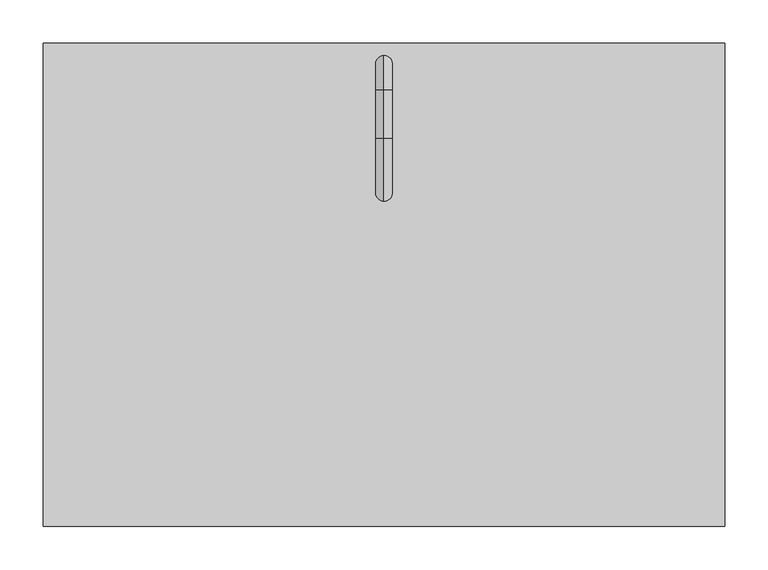
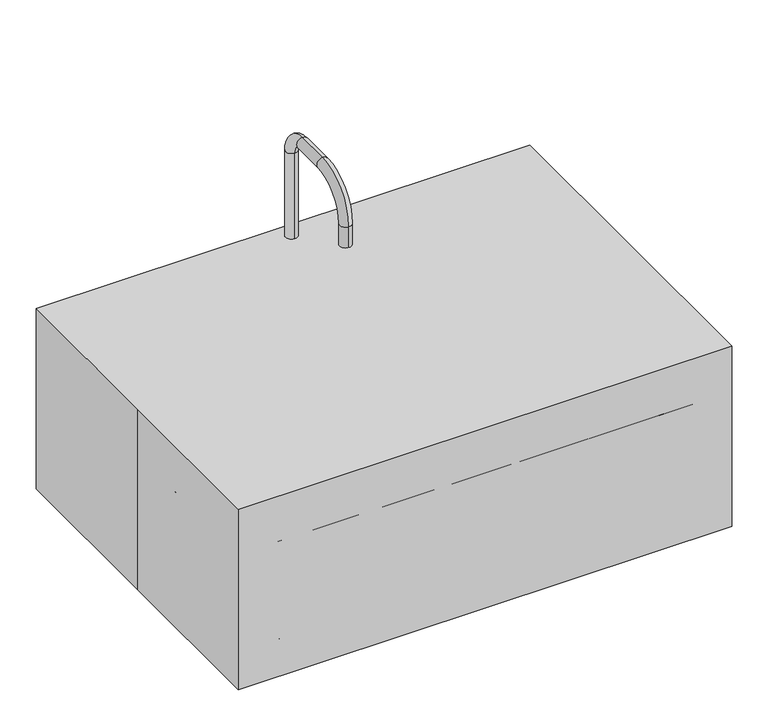
"""IFC4 building model written with IfcOpenShell, lengths in millimetres: proxy geometry."""

import ifcopenshell
import ifcopenshell.guid

model = None  # the IFC model being written
_history = None  # IfcOwnerHistory: only IFC2X3 demands one
_inside = {}  # id of a spatial element -> (the spatial element, [elements in it])
_under = {}  # id of a project, library or spatial element -> (it, [spatial elements below it])
_declared = {}  # id of a project -> (the project, [libraries it declares])
_typed = {}  # id of a type object -> (the type object, [elements of that type])
_made_of = {}  # id of a material, layer set ... -> (it, [elements and type objects made of it])


def new_model(schema):
    """Start an empty IFC model of exactly this schema.

    Asked for "IFC4X3", IfcOpenShell would pick the latest addendum, in which some entities
    have other attributes; the version numbers below select the first issue.
    IFC2X3 requires an IfcOwnerHistory on every rooted entity: one is made here for all.
    """
    global model, _history
    if schema == "IFC4X3":
        model = ifcopenshell.file(schema_version=(4, 3, 0, 0))
    else:
        model = ifcopenshell.file(schema=schema)
    _inside.clear()
    _under.clear()
    _declared.clear()
    _typed.clear()
    _made_of.clear()
    _history = None
    if model.schema == "IFC2X3":
        org = make("IfcOrganization", Name="unknown")
        user = make(
            "IfcPersonAndOrganization",
            ThePerson=make("IfcPerson", FamilyName="unknown"),
            TheOrganization=org,
        )
        app = make(
            "IfcApplication",
            ApplicationDeveloper=org,
            Version="unknown",
            ApplicationFullName="unknown",
            ApplicationIdentifier="unknown",
        )
        _history = make(
            "IfcOwnerHistory",
            OwningUser=user,
            OwningApplication=app,
            ChangeAction="ADDED",
            CreationDate=0,
        )
    return model


def make(cls, **values):
    """One entity of the class cls with the attributes given. An attribute that is None is left unset."""
    return model.create_entity(
        cls, **{name: value for name, value in values.items() if value is not None}
    )


def rooted(cls, **values):
    """An entity with a GlobalId (a new one), such as an element, a storey or a relation."""
    return make(cls, GlobalId=ifcopenshell.guid.new(), OwnerHistory=_history, **values)


def si_unit(unit_type, name, prefix=None):
    """IfcSIUnit, for example si_unit("LENGTHUNIT", "METRE", prefix="MILLI")."""
    return make("IfcSIUnit", UnitType=unit_type, Prefix=prefix, Name=name)


def assignment(units):
    """IfcUnitAssignment: the units of a project."""
    return None if units is None else make("IfcUnitAssignment", Units=units)


def point(xyz):
    """IfcCartesianPoint."""
    return None if xyz is None else make("IfcCartesianPoint", Coordinates=xyz)


def direction(xyz):
    """IfcDirection."""
    return None if xyz is None else make("IfcDirection", DirectionRatios=xyz)


def frame(location, z_axis=None, x_axis=None):
    """IfcAxis2Placement3D, a coordinate frame: its origin and axes. An axis left out is left unset."""
    return make(
        "IfcAxis2Placement3D",
        Location=point(location),
        Axis=direction(z_axis),
        RefDirection=direction(x_axis),
    )


def frame_2d(location, x_axis=None):
    """IfcAxis2Placement2D, a coordinate frame in the plane: its origin and x axis."""
    return make(
        "IfcAxis2Placement2D", Location=point(location), RefDirection=direction(x_axis)
    )


def origin():
    """The frame at (0, 0, 0) with its axes left unset."""
    return frame((0.0, 0.0, 0.0))


def origin_with_axes():
    """The frame at (0, 0, 0) with the z axis (0, 0, 1) and the x axis (1, 0, 0) written out."""
    return frame((0.0, 0.0, 0.0), z_axis=(0.0, 0.0, 1.0), x_axis=(1.0, 0.0, 0.0))


def origin_2d():
    """The frame at (0, 0) in the plane with its x axis left unset."""
    return frame_2d((0.0, 0.0))


def place(relative_to, where):
    """IfcLocalPlacement: puts the frame where relative to a parent placement (None: the world)."""
    return make(
        "IfcLocalPlacement", PlacementRelTo=relative_to, RelativePlacement=where
    )


def context(
    kind, dimensions, precision=None, world=None, true_north=None, identifier=None
):
    """IfcGeometricRepresentationContext, for example the 3D "Model" context."""
    return make(
        "IfcGeometricRepresentationContext",
        ContextIdentifier=identifier,
        ContextType=kind,
        CoordinateSpaceDimension=dimensions,
        Precision=precision,
        WorldCoordinateSystem=world,
        TrueNorth=true_north,
    )


def project(units=None, contexts=None):
    """IfcProject with its units and contexts."""
    return rooted(
        "IfcProject",
        Name="project",
        RepresentationContexts=contexts,
        UnitsInContext=assignment(units),
    )


def spatial(cls, under=None, at=None, **own):
    """A site, building, storey or space (cls), placed at a placement, below another one or the project."""
    s = rooted(cls, ObjectPlacement=at, **own)
    if under is not None:
        _under.setdefault(under.id(), (under, []))[1].append(s)
    return s


def polyline(points):
    """IfcPolyline through the points."""
    return make("IfcPolyline", Points=[point(p) for p in points])


def circle_curve(where, radius):
    """IfcCircle in the frame where."""
    return make("IfcCircle", Position=where, Radius=radius)


def ellipse_curve(where, semi_axis1, semi_axis2):
    """IfcEllipse in the frame where."""
    return make(
        "IfcEllipse", Position=where, SemiAxis1=semi_axis1, SemiAxis2=semi_axis2
    )


def trimmed(basis, trim1, trim2, sense, master):
    """IfcTrimmedCurve: the piece of a basis curve between two trims."""
    return make(
        "IfcTrimmedCurve",
        BasisCurve=basis,
        Trim1=trim1,
        Trim2=trim2,
        SenseAgreement=sense,
        MasterRepresentation=master,
    )


def segment(curve, same_sense, transition):
    """IfcCompositeCurveSegment."""
    return make(
        "IfcCompositeCurveSegment",
        Transition=transition,
        SameSense=same_sense,
        ParentCurve=curve,
    )


def composite_curve(segments, self_intersect=None):
    """IfcCompositeCurve: segments joined end to end."""
    return make("IfcCompositeCurve", Segments=segments, SelfIntersect=self_intersect)


def outline(outer, holes=None, kind="AREA"):
    """IfcArbitraryClosedProfileDef: a profile drawn as a closed curve; with holes, ...WithVoids."""
    if holes is None:
        return make("IfcArbitraryClosedProfileDef", ProfileType=kind, OuterCurve=outer)
    return make(
        "IfcArbitraryProfileDefWithVoids",
        ProfileType=kind,
        OuterCurve=outer,
        InnerCurves=holes,
    )


def extrude(swept, where, along, depth):
    """IfcExtrudedAreaSolid: the profile swept, set in the frame where, extruded along a direction by depth."""
    return make(
        "IfcExtrudedAreaSolid",
        SweptArea=swept,
        Position=where,
        ExtrudedDirection=direction(along),
        Depth=depth,
    )


def shape(context_of_items, identifier, shape_type, items):
    """IfcShapeRepresentation: the items that make up one representation, for example the "Body"."""
    return make(
        "IfcShapeRepresentation",
        ContextOfItems=context_of_items,
        RepresentationIdentifier=identifier,
        RepresentationType=shape_type,
        Items=items,
    )


def source(mapping_origin, context_of_items, identifier, shape_type, items):
    """IfcRepresentationMap: a shape defined once, which mapped items show again and again."""
    return make(
        "IfcRepresentationMap",
        MappingOrigin=mapping_origin,
        MappedRepresentation=shape(context_of_items, identifier, shape_type, items),
    )


def transform(
    local_origin,
    x_axis=None,
    y_axis=None,
    z_axis=None,
    scale=None,
    scale2=None,
    scale3=None,
    uniform=True,
):
    """IfcCartesianTransformationOperator3D, or its non-uniform kind. x_axis, y_axis, z_axis: its Axis1, 2, 3."""
    if uniform:
        return make(
            "IfcCartesianTransformationOperator3D",
            Axis1=direction(x_axis),
            Axis2=direction(y_axis),
            LocalOrigin=point(local_origin),
            Scale=scale,
            Axis3=direction(z_axis),
        )
    return make(
        "IfcCartesianTransformationOperator3DnonUniform",
        Axis1=direction(x_axis),
        Axis2=direction(y_axis),
        LocalOrigin=point(local_origin),
        Scale=scale,
        Axis3=direction(z_axis),
        Scale2=scale2,
        Scale3=scale3,
    )


def mapped(mapping_source, mapping_target):
    """IfcMappedItem: shows the shape of a source again, moved by a transform."""
    return make(
        "IfcMappedItem", MappingSource=mapping_source, MappingTarget=mapping_target
    )


def made_of(thing, what):
    """Note that an element or type object is made of a material, layer set ...; save() writes the relation."""
    if what is not None:
        _made_of.setdefault(what.id(), (what, []))[1].append(thing)
    return thing


def element(
    cls,
    number,
    at=None,
    inside=None,
    cuts=None,
    type_object=None,
    material=None,
    context=None,
    identifier="Body",
    shape_type=None,
    held_by="IfcProductDefinitionShape",
    body=None,
    shapes=None,
    **own,
):
    """One element of the class cls, such as IfcWall. Its Tag is "e" and its number.

    at: its placement. inside: the storey or other place that contains it. cuts: it is an
    opening in that element (IfcRelVoidsElement). A single representation is given by context,
    identifier, shape_type and body (its items); several are given by shapes. held_by: the class
    of the entity that holds the representations. save() writes the other relations.
    """
    e = rooted(cls, Tag="e%d" % number, ObjectPlacement=at, **own)
    if body is not None:
        shapes = [shape(context, identifier, shape_type, body)]
    if shapes is not None:
        e.Representation = make(held_by, Representations=shapes)
    if inside is not None:
        _inside.setdefault(inside.id(), (inside, []))[1].append(e)
    if cuts is not None:
        rooted(
            "IfcRelVoidsElement", RelatingBuildingElement=cuts, RelatedOpeningElement=e
        )
    if type_object is not None:
        _typed.setdefault(type_object.id(), (type_object, []))[1].append(e)
    return made_of(e, material)


def aggregate(whole, parts):
    """IfcRelAggregates: a whole, such as a stair, and the parts it consists of."""
    return rooted("IfcRelAggregates", RelatingObject=whole, RelatedObjects=parts)


def save(model, path):
    """Write the relations noted so far, then the file.

    IfcRelAggregates (storeys below a building ...), IfcRelContainedInSpatialStructure (elements
    in a storey), IfcRelDefinesByType, IfcRelAssociatesMaterial and IfcRelDeclares: one each for
    every whole, place, type object, material and project.
    """
    for whole, parts in _under.values():
        aggregate(whole, parts)
    for where, things in _inside.values():
        rooted(
            "IfcRelContainedInSpatialStructure",
            RelatedElements=things,
            RelatingStructure=where,
        )
    for kind, things in _typed.values():
        rooted("IfcRelDefinesByType", RelatedObjects=things, RelatingType=kind)
    for what, things in _made_of.values():
        rooted("IfcRelAssociatesMaterial", RelatedObjects=things, RelatingMaterial=what)
    for by, libraries in _declared.values():
        rooted("IfcRelDeclares", RelatingContext=by, RelatedDefinitions=libraries)
    model.write(path)


def plane_surface(at):
    """IfcPlane: the flat surface through the origin of the frame at, square to its z axis."""
    return make("IfcPlane", Position=at)


def cylinder_surface(at, radius):
    """IfcCylindricalSurface: all points at the distance radius from the z axis of the frame at."""
    return make("IfcCylindricalSurface", Position=at, Radius=radius)


def revolved_surface(curve, axis_point, axis_direction):
    """IfcSurfaceOfRevolution: the curve turned about the line through axis_point along axis_direction."""
    return make(
        "IfcSurfaceOfRevolution",
        SweptCurve=make("IfcArbitraryOpenProfileDef", ProfileType="CURVE", Curve=curve),
        AxisPosition=make("IfcAxis1Placement", Location=point(axis_point), Axis=direction(axis_direction)),
    )


def advanced_brep(points, edges, surfaces, faces):
    """IfcAdvancedBrep: a solid bounded by faces that lie on surfaces and meet in shared edges.

    An edge is (start, end): straight between two places in points (the first is 0);
    or (start, end, curve); or (start, end, curve, False) where it runs against its curve.
    A face is (place in surfaces, loops), or (place, loops, False) where it looks against
    its surface's normal. A loop lists edges by number (the first is 1), with a minus sign
    where the edge is run from its end to its start. The first loop is the outer one.
    """
    corners = [point(p) for p in points]
    vertices = [make("IfcVertexPoint", VertexGeometry=c) for c in corners]
    made = []
    for start, end, *more in edges:
        made.append(
            make(
                "IfcEdgeCurve",
                EdgeStart=vertices[start],
                EdgeEnd=vertices[end],
                EdgeGeometry=more[0] if more else make("IfcPolyline", Points=[corners[start], corners[end]]),
                SameSense=more[1] if len(more) > 1 else True,
            )
        )
    hull = []
    for where, loops, *sense in faces:
        bounds = []
        for j, loop in enumerate(loops):
            ring = [make("IfcOrientedEdge", EdgeElement=made[abs(k) - 1], Orientation=k > 0) for k in loop]
            bounds.append(
                make(
                    "IfcFaceOuterBound" if j == 0 else "IfcFaceBound",
                    Bound=make("IfcEdgeLoop", EdgeList=ring),
                    Orientation=True,
                )
            )
        hull.append(make("IfcAdvancedFace", Bounds=bounds, FaceSurface=surfaces[where], SameSense=sense[0] if sense else True))
    return make("IfcAdvancedBrep", Outer=make("IfcClosedShell", CfsFaces=hull))


def specialty_equipment_f0ebf2b9(model_context):
    return source(origin(), model_context, "Body", "SolidModel", [
        extrude(outline(composite_curve([segment(trimmed(circle_curve(frame_2d((292.1, 168.275)), 25.4), [point((292.1, 193.675))], [point((317.5, 168.275))], False, "CARTESIAN"), True, "CONTINUOUS"), segment(polyline([(317.5, 168.275), (317.5, -177.8)]), True, "CONTINUOUS"), segment(trimmed(circle_curve(frame_2d((292.1, -177.8)), 25.4), [point((317.5, -177.8))], [point((292.1, -203.2))], False, "CARTESIAN"), True, "CONTINUOUS"), segment(polyline([(292.1, -203.2), (-292.1000001, -203.2)]), True, "CONTINUOUS"), segment(trimmed(circle_curve(frame_2d((-292.1000001, -177.8)), 25.4), [point((-292.1000001, -203.2))], [point((-317.5000001, -177.8))], False, "CARTESIAN"), True, "CONTINUOUS"), segment(polyline([(-317.5000001, -177.8), (-317.5000001, 168.275)]), True, "CONTINUOUS"), segment(trimmed(circle_curve(frame_2d((-292.1000001, 168.275)), 25.4), [point((-317.5000001, 168.275))], [point((-292.1000001, 193.675))], False, "CARTESIAN"), True, "CONTINUOUS"), segment(polyline([(-292.1000001, 193.675), (292.1, 193.675)]), True, "CONTINUOUS")], self_intersect=False), holes=[composite_curve([segment(trimmed(circle_curve(origin_2d(), 25.4), [point((-25.4, 0.0))], [point((25.4, 0.0))], True, "CARTESIAN"), True, "CONTINUOUS"), segment(trimmed(circle_curve(origin_2d(), 25.4), [point((25.4, 0.0))], [point((-25.4, 0.0))], True, "CARTESIAN"), True, "CONTINUOUS")], self_intersect=False)]), origin_with_axes(), (0.0, 0.0, 1.0), 9.525),
        extrude(outline(polyline([(-393.7, 279.4), (393.7, 279.4), (393.7, -279.4), (-393.7, -279.4), (-393.7, 0.0), (-393.7, 279.4)])), origin_with_axes(), (0.0, 0.0, 1.0), 304.8),
        extrude(outline(composite_curve([segment(trimmed(circle_curve(frame_2d((82.55, 260.35)), 19.05), [point((82.55, 279.4))], [point((82.55, 241.3))], False, "CARTESIAN"), True, "CONTINUOUS"), segment(polyline([(82.55, 241.3), (-82.55, 241.3)]), True, "CONTINUOUS"), segment(trimmed(circle_curve(frame_2d((-82.55, 260.35)), 19.05), [point((-82.55, 241.3))], [point((-82.55, 279.4))], False, "CARTESIAN"), True, "CONTINUOUS"), segment(polyline([(-82.55, 279.4), (82.55, 279.4)]), True, "CONTINUOUS")], self_intersect=False), holes=[composite_curve([segment(trimmed(circle_curve(frame_2d((0.0, 255.5875)), 9.525), [point((-9.525, 255.5875))], [point((9.525, 255.5875))], True, "CARTESIAN"), True, "CONTINUOUS"), segment(trimmed(circle_curve(frame_2d((0.0, 255.5875)), 9.525), [point((9.525, 255.5875))], [point((-9.525, 255.5875))], True, "CARTESIAN"), True, "CONTINUOUS")], self_intersect=False)]), frame((0.0, 0.0, 228.6), z_axis=(0.0, 0.0, 1.0), x_axis=(1.0, 0.0, 0.0)), (0.0, 0.0, 1.0), 12.7),
        extrude(outline(composite_curve([segment(trimmed(circle_curve(frame_2d((-1e-07, 255.5875)), 12.7), [point((-12.7000001, 255.5875))], [point((12.6999999, 255.5875))], False, "CARTESIAN"), True, "CONTINUOUS"), segment(trimmed(circle_curve(frame_2d((-1e-07, 255.5875)), 12.7), [point((12.6999999, 255.5875))], [point((-12.7000001, 255.5875))], False, "CARTESIAN"), True, "CONTINUOUS")], self_intersect=False), holes=[composite_curve([segment(trimmed(circle_curve(frame_2d((-1e-07, 255.5875)), 9.525), [point((-9.5250001, 255.5875))], [point((9.5249999, 255.5875))], True, "CARTESIAN"), True, "CONTINUOUS"), segment(trimmed(circle_curve(frame_2d((-1e-07, 255.5875)), 9.525), [point((9.5249999, 255.5875))], [point((-9.5250001, 255.5875))], True, "CARTESIAN"), True, "CONTINUOUS")], self_intersect=False)]), frame((0.0, 0.0, 241.3), z_axis=(0.0, 0.0, 1.0), x_axis=(1.0, 0.0, 0.0)), (0.0, 0.0, 1.0), 12.7),
        advanced_brep(
        [(-1e-07, 265.1125, 228.6), (-1e-07, 246.0625, 228.6), (-1e-07, 265.1125, 449.2625), (-1e-07, 246.0625, 449.2625), (-1e-07, 225.425, 469.9), (-1e-07, 225.425, 488.95), (-1e-07, 169.8625, 488.95), (-1e-07, 169.8625, 469.9), (-1e-07, 115.8875, 415.925), (-1e-07, 96.8375, 415.925), (-1e-07, 96.8375, 381.0), (-1e-07, 115.8875, 381.0)],
        [
            (0, 1, circle_curve(frame((-1e-07, 255.5875, 228.6), z_axis=(0.0, 0.0, -1.0), x_axis=(0.0, -1.0, 0.0)), 9.525)),
            (1, 0, circle_curve(frame((-1e-07, 255.5875, 228.6), z_axis=(0.0, 0.0, -1.0), x_axis=(0.0, -1.0, 0.0)), 9.525)),
            (0, 2),
            (2, 3, circle_curve(frame((-1e-07, 255.5875, 449.2625), z_axis=(0.0, 0.0, -1.0), x_axis=(0.0, -1.0, 0.0)), 9.525)),
            (3, 1),
            (3, 2, circle_curve(frame((-1e-07, 255.5875, 449.2625), z_axis=(0.0, 0.0, -1.0), x_axis=(0.0, -1.0, 0.0)), 9.525)),
            (4, 3, circle_curve(frame((-1e-07, 225.425, 449.2625), z_axis=(-1.0, 0.0, 0.0), x_axis=(0.0, 1.0, 0.0)), 20.6375)),
            (2, 5, circle_curve(frame((-1e-07, 225.425, 449.2625), z_axis=(1.0, 0.0, 0.0), x_axis=(0.0, 1.0, 0.0)), 39.6875)),
            (5, 4, circle_curve(frame((-1e-07, 225.425, 479.425), z_axis=(0.0, 1.0, 0.0), x_axis=(0.0, 0.0, -1.0)), 9.525)),
            (4, 5, circle_curve(frame((-1e-07, 225.425, 479.425), z_axis=(0.0, 1.0, 0.0), x_axis=(0.0, 0.0, -1.0)), 9.525)),
            (5, 6),
            (6, 7, circle_curve(frame((-1e-07, 169.8625, 479.425), z_axis=(0.0, 1.0, 0.0), x_axis=(0.0, 0.0, -1.0)), 9.525)),
            (7, 4),
            (7, 6, circle_curve(frame((-1e-07, 169.8625, 479.425), z_axis=(0.0, 1.0, 0.0), x_axis=(0.0, 0.0, -1.0)), 9.525)),
            (8, 7, circle_curve(frame((-1e-07, 169.8625, 415.925), z_axis=(-1.0, 0.0, 0.0), x_axis=(0.0, 0.0, 1.0)), 53.975)),
            (6, 9, circle_curve(frame((-1e-07, 169.8625, 415.925), z_axis=(1.0, 0.0, 0.0), x_axis=(0.0, 0.0, 1.0)), 73.025)),
            (9, 8, circle_curve(frame((-1e-07, 106.3625, 415.925), z_axis=(0.0, 0.0, 1.0), x_axis=(0.0, 1.0, 0.0)), 9.525)),
            (8, 9, circle_curve(frame((-1e-07, 106.3625, 415.925), z_axis=(0.0, 0.0, 1.0), x_axis=(0.0, 1.0, 0.0)), 9.525)),
            (10, 11, circle_curve(frame((-1e-07, 106.3625, 381.0), z_axis=(0.0, 0.0, -1.0), x_axis=(0.0, 1.0, 0.0)), 9.525)),
            (11, 10, circle_curve(frame((-1e-07, 106.3625, 381.0), z_axis=(0.0, 0.0, -1.0), x_axis=(0.0, 1.0, 0.0)), 9.525)),
            (9, 10),
            (11, 8),
        ],
        [
            plane_surface(frame((-1e-07, 246.0625, 228.6), z_axis=(0.0, 0.0, -1.0), x_axis=(1.0, 0.0, 0.0))),
            cylinder_surface(frame((-1e-07, 255.5875, 228.6), z_axis=(0.0, 0.0, -1.0), x_axis=(0.0, -1.0, 0.0)), 9.525),
            revolved_surface(trimmed(ellipse_curve(frame((-1e-07, 255.5875, 449.2625), z_axis=(0.0, 0.0, -1.0), x_axis=(0.0, -1.0, 0.0)), 9.525, 9.525), [point((-1e-07, 265.1125, 449.2625))], [point((-1e-07, 246.0625, 449.2625))], True, "CARTESIAN"), (-1e-07, 225.425, 449.2625), (1.0, 0.0, 0.0)),
            revolved_surface(trimmed(ellipse_curve(frame((-1e-07, 255.5875, 449.2625), z_axis=(0.0, 0.0, -1.0), x_axis=(0.0, -1.0, 0.0)), 9.525, 9.525), [point((-1e-07, 246.0625, 449.2625))], [point((-1e-07, 265.1125, 449.2625))], True, "CARTESIAN"), (-1e-07, 225.425, 449.2625), (1.0, 0.0, 0.0)),
            cylinder_surface(frame((-1e-07, 225.425, 479.425), z_axis=(0.0, 1.0, 0.0), x_axis=(0.0, 0.0, -1.0)), 9.525),
            revolved_surface(trimmed(ellipse_curve(frame((-1e-07, 169.8625, 479.425), z_axis=(0.0, 1.0, 0.0), x_axis=(0.0, 0.0, -1.0)), 9.525, 9.525), [point((-1e-07, 169.8625, 488.95))], [point((-1e-07, 169.8625, 469.9))], True, "CARTESIAN"), (-1e-07, 169.8625, 415.925), (1.0, 0.0, 0.0)),
            revolved_surface(trimmed(ellipse_curve(frame((-1e-07, 169.8625, 479.425), z_axis=(0.0, 1.0, 0.0), x_axis=(0.0, 0.0, -1.0)), 9.525, 9.525), [point((-1e-07, 169.8625, 469.9))], [point((-1e-07, 169.8625, 488.95))], True, "CARTESIAN"), (-1e-07, 169.8625, 415.925), (1.0, 0.0, 0.0)),
            plane_surface(frame((-1e-07, 96.8375, 381.0), z_axis=(0.0, 0.0, -1.0), x_axis=(-1.0, 0.0, 0.0))),
            cylinder_surface(frame((-1e-07, 106.3625, 415.925), z_axis=(0.0, 0.0, 1.0), x_axis=(0.0, 1.0, 0.0)), 9.525),
        ],
        [
            (0, [[1, 2]]),
            (1, [[-1, 3, 4, 5]]),
            (1, [[-2, -5, 6, -3]]),
            (2, [[7, -4, 8, 9]]),
            (3, [[-8, -6, -7, 10]]),
            (4, [[-9, 11, 12, 13]]),
            (4, [[-10, -13, 14, -11]]),
            (5, [[15, -12, 16, 17]]),
            (6, [[-16, -14, -15, 18]]),
            (7, [[19, 20]]),
            (8, [[-17, 21, -20, 22]]),
            (8, [[-18, -22, -19, -21]]),
        ],
    ),
        extrude(outline(composite_curve([segment(trimmed(circle_curve(frame_2d((-57.15, 260.35)), 19.05), [point((-76.2, 260.35))], [point((-38.1, 260.35))], False, "CARTESIAN"), True, "CONTINUOUS"), segment(trimmed(circle_curve(frame_2d((-57.15, 260.35)), 19.05), [point((-38.1, 260.35))], [point((-76.2, 260.35))], False, "CARTESIAN"), True, "CONTINUOUS")], self_intersect=False)), frame((0.0, 0.0, 241.3), z_axis=(0.0, 0.0, 1.0), x_axis=(1.0, 0.0, 0.0)), (0.0, 0.0, 1.0), 50.8),
        extrude(outline(composite_curve([segment(trimmed(circle_curve(frame_2d((57.15, 260.35)), 19.05), [point((38.1, 260.35))], [point((76.2, 260.35))], False, "CARTESIAN"), True, "CONTINUOUS"), segment(trimmed(circle_curve(frame_2d((57.15, 260.35)), 19.05), [point((76.2, 260.35))], [point((38.1, 260.35))], False, "CARTESIAN"), True, "CONTINUOUS")], self_intersect=False)), frame((0.0, 0.0, 241.3), z_axis=(0.0, 0.0, 1.0), x_axis=(1.0, 0.0, 0.0)), (0.0, 0.0, 1.0), 50.8),
        advanced_brep(
        [(-292.1000001, 238.125, 0.0), (-292.1000001, 238.125, 215.9), (292.1, 238.125, 215.9), (292.1, 238.125, 0.0), (-292.1000001, 193.675, 0.0), (292.1, 193.675, 0.0), (-292.1000001, 193.675, 9.525), (292.1, 193.675, 9.525), (-292.1000001, 196.2634182, 9.525), (292.1, 196.2634182, 9.525), (-292.1000001, 215.2409272, 26.9146831), (292.1, 215.2409272, 26.9146831), (-292.1000001, 231.775, 215.9), (292.1, 231.775, 215.9), (361.95, 168.275, 0.0), (361.95, 168.275, 215.9), (317.5, 168.275, 0.0), (317.5, 168.275, 9.525), (320.0884182, 168.275, 9.525), (339.0659272, 168.275, 26.9146831), (355.6, 168.275, 215.9), (361.95, -177.8, 215.9), (361.95, -177.8, 0.0), (317.5, -177.8, 0.0), (317.5, -177.8, 9.525), (320.0884182, -177.8, 9.525), (339.0659272, -177.8, 26.9146831), (355.6, -177.8, 215.9), (292.1, -247.65, 0.0), (292.1, -247.65, 215.9), (292.1, -203.2, 0.0), (292.1, -203.2, 9.525), (292.1, -205.7884182, 9.525), (292.1, -224.7659272, 26.9146831), (292.1, -241.3, 215.9), (-292.1000001, -247.65, 215.9), (-292.1000001, -247.65, 0.0), (-292.1000001, -203.2, 0.0), (-292.1000001, -203.2, 9.525), (-292.1000001, -205.7884182, 9.525), (-292.1000001, -224.7659272, 26.9146831), (-292.1000001, -241.3, 215.9), (-361.9500001, -177.8, 0.0), (-361.9500001, -177.8, 215.9), (-317.5000001, -177.8, 0.0), (-317.5000001, -177.8, 9.525), (-320.0884183, -177.8, 9.525), (-339.0659273, -177.8, 26.9146831), (-355.6000001, -177.8, 215.9), (-361.9500001, 168.275, 215.9), (-361.9500001, 168.275, 0.0), (-317.5000001, 168.275, 0.0), (-317.5000001, 168.275, 9.525), (-320.0884183, 168.275, 9.525), (-339.0659273, 168.275, 26.9146831), (-355.6000001, 168.275, 215.9)],
        [
            (0, 1),
            (1, 2),
            (2, 3),
            (3, 0),
            (4, 0),
            (3, 5),
            (5, 4),
            (6, 4),
            (5, 7),
            (7, 6),
            (8, 6),
            (7, 9),
            (9, 8),
            (10, 8, circle_curve(frame((-292.1000001, 196.2634182, 28.575), z_axis=(-1.0, 0.0, 0.0), x_axis=(0.0, 1.0, 0.0)), 19.05)),
            (9, 11, circle_curve(frame((292.1, 196.2634182, 28.575), z_axis=(1.0, 0.0, 0.0), x_axis=(0.0, 1.0, 0.0)), 19.05)),
            (11, 10),
            (12, 10),
            (11, 13),
            (13, 12),
            (1, 12),
            (13, 2),
            (14, 3, circle_curve(frame((292.1, 168.275, 0.0), z_axis=(0.0, 0.0, 1.0), x_axis=(0.0, 1.0, 0.0)), 69.85)),
            (2, 15, circle_curve(frame((292.1, 168.275, 215.9), z_axis=(0.0, 0.0, -1.0), x_axis=(0.0, 1.0, 0.0)), 69.85)),
            (15, 14),
            (16, 5, circle_curve(frame((292.1, 168.275, 0.0), z_axis=(0.0, 0.0, 1.0), x_axis=(0.0, 1.0, 0.0)), 25.4)),
            (14, 16),
            (17, 7, circle_curve(frame((292.1, 168.275, 9.525), z_axis=(0.0, 0.0, 1.0), x_axis=(0.0, 1.0, 0.0)), 25.4)),
            (16, 17),
            (18, 9, circle_curve(frame((292.1, 168.275, 9.525), z_axis=(0.0, 0.0, 1.0), x_axis=(0.0, 1.0, 0.0)), 27.9884182)),
            (17, 18),
            (19, 11, circle_curve(frame((292.1, 168.275, 26.9146831), z_axis=(0.0, 0.0, 1.0), x_axis=(0.0, 1.0, 0.0)), 46.9659272)),
            (18, 19, circle_curve(frame((320.0884182, 168.275, 28.575), z_axis=(0.0, -1.0, 0.0), x_axis=(1.0, 0.0, 0.0)), 19.05)),
            (20, 13, circle_curve(frame((292.1, 168.275, 215.9), z_axis=(0.0, 0.0, 1.0), x_axis=(0.0, 1.0, 0.0)), 63.5)),
            (19, 20),
            (20, 15),
            (15, 21),
            (21, 22),
            (22, 14),
            (22, 23),
            (23, 16),
            (23, 24),
            (24, 17),
            (24, 25),
            (25, 18),
            (25, 26, circle_curve(frame((320.0884182, -177.8, 28.575), z_axis=(0.0, -1.0, 0.0), x_axis=(1.0, 0.0, 0.0)), 19.05)),
            (26, 19),
            (26, 27),
            (27, 20),
            (27, 21),
            (28, 22, circle_curve(frame((292.1, -177.8, 0.0), z_axis=(0.0, 0.0, 1.0), x_axis=(1.0, 0.0, 0.0)), 69.85)),
            (21, 29, circle_curve(frame((292.1, -177.8, 215.9), z_axis=(0.0, 0.0, -1.0), x_axis=(1.0, 0.0, 0.0)), 69.85)),
            (29, 28),
            (30, 23, circle_curve(frame((292.1, -177.8, 0.0), z_axis=(0.0, 0.0, 1.0), x_axis=(1.0, 0.0, 0.0)), 25.4)),
            (28, 30),
            (31, 24, circle_curve(frame((292.1, -177.8, 9.525), z_axis=(0.0, 0.0, 1.0), x_axis=(1.0, 0.0, 0.0)), 25.4)),
            (30, 31),
            (32, 25, circle_curve(frame((292.1, -177.8, 9.525), z_axis=(0.0, 0.0, 1.0), x_axis=(1.0, 0.0, 0.0)), 27.9884182)),
            (31, 32),
            (33, 26, circle_curve(frame((292.1, -177.8, 26.9146831), z_axis=(0.0, 0.0, 1.0), x_axis=(1.0, 0.0, 0.0)), 46.9659272)),
            (32, 33, circle_curve(frame((292.1, -205.7884182, 28.575), z_axis=(-1.0, 0.0, 0.0), x_axis=(0.0, -1.0, 0.0)), 19.05)),
            (34, 27, circle_curve(frame((292.1, -177.8, 215.9), z_axis=(0.0, 0.0, 1.0), x_axis=(1.0, 0.0, 0.0)), 63.5)),
            (33, 34),
            (34, 29),
            (29, 35),
            (35, 36),
            (36, 28),
            (36, 37),
            (37, 30),
            (37, 38),
            (38, 31),
            (38, 39),
            (39, 32),
            (39, 40, circle_curve(frame((-292.1000001, -205.7884182, 28.575), z_axis=(-1.0, 0.0, 0.0), x_axis=(0.0, -1.0, 0.0)), 19.05)),
            (40, 33),
            (40, 41),
            (41, 34),
            (41, 35),
            (42, 36, circle_curve(frame((-292.1000001, -177.8, 0.0), z_axis=(0.0, 0.0, 1.0), x_axis=(0.0, -1.0, 0.0)), 69.85)),
            (35, 43, circle_curve(frame((-292.1000001, -177.8, 215.9), z_axis=(0.0, 0.0, -1.0), x_axis=(0.0, -1.0, 0.0)), 69.85)),
            (43, 42),
            (44, 37, circle_curve(frame((-292.1000001, -177.8, 0.0), z_axis=(0.0, 0.0, 1.0), x_axis=(0.0, -1.0, 0.0)), 25.4)),
            (42, 44),
            (45, 38, circle_curve(frame((-292.1000001, -177.8, 9.525), z_axis=(0.0, 0.0, 1.0), x_axis=(0.0, -1.0, 0.0)), 25.4)),
            (44, 45),
            (46, 39, circle_curve(frame((-292.1000001, -177.8, 9.525), z_axis=(0.0, 0.0, 1.0), x_axis=(0.0, -1.0, 0.0)), 27.9884182)),
            (45, 46),
            (47, 40, circle_curve(frame((-292.1000001, -177.8, 26.9146831), z_axis=(0.0, 0.0, 1.0), x_axis=(0.0, -1.0, 0.0)), 46.9659272)),
            (46, 47, circle_curve(frame((-320.0884183, -177.8, 28.575), z_axis=(0.0, 1.0, 0.0), x_axis=(-1.0, 0.0, 0.0)), 19.05)),
            (48, 41, circle_curve(frame((-292.1000001, -177.8, 215.9), z_axis=(0.0, 0.0, 1.0), x_axis=(0.0, -1.0, 0.0)), 63.5)),
            (47, 48),
            (48, 43),
            (43, 49),
            (49, 50),
            (50, 42),
            (50, 51),
            (51, 44),
            (51, 52),
            (52, 45),
            (52, 53),
            (53, 46),
            (53, 54, circle_curve(frame((-320.0884183, 168.275, 28.575), z_axis=(0.0, 1.0, 0.0), x_axis=(-1.0, 0.0, 0.0)), 19.05)),
            (54, 47),
            (54, 55),
            (55, 48),
            (55, 49),
            (0, 50, circle_curve(frame((-292.1000001, 168.275, 0.0), z_axis=(0.0, 0.0, 1.0), x_axis=(-1.0, 0.0, 0.0)), 69.85)),
            (49, 1, circle_curve(frame((-292.1000001, 168.275, 215.9), z_axis=(0.0, 0.0, -1.0), x_axis=(-1.0, 0.0, 0.0)), 69.85)),
            (4, 51, circle_curve(frame((-292.1000001, 168.275, 0.0), z_axis=(0.0, 0.0, 1.0), x_axis=(-1.0, 0.0, 0.0)), 25.4)),
            (6, 52, circle_curve(frame((-292.1000001, 168.275, 9.525), z_axis=(0.0, 0.0, 1.0), x_axis=(-1.0, 0.0, 0.0)), 25.4)),
            (8, 53, circle_curve(frame((-292.1000001, 168.275, 9.525), z_axis=(0.0, 0.0, 1.0), x_axis=(-1.0, 0.0, 0.0)), 27.9884182)),
            (10, 54, circle_curve(frame((-292.1000001, 168.275, 26.9146831), z_axis=(0.0, 0.0, 1.0), x_axis=(-1.0, 0.0, 0.0)), 46.9659272)),
            (12, 55, circle_curve(frame((-292.1000001, 168.275, 215.9), z_axis=(0.0, 0.0, 1.0), x_axis=(-1.0, 0.0, 0.0)), 63.5)),
        ],
        [
            plane_surface(frame((-292.1000001, 238.125, 215.9), z_axis=(0.0, 1.0, 0.0), x_axis=(1.0, 0.0, 0.0))),
            plane_surface(frame((-292.1000001, 238.125, 0.0), z_axis=(0.0, 0.0, -1.0), x_axis=(1.0, 0.0, 0.0))),
            plane_surface(frame((-292.1000001, 193.675, 0.0), z_axis=(0.0, -1.0, 0.0), x_axis=(1.0, 0.0, 0.0))),
            plane_surface(frame((-292.1000001, 193.675, 9.525), z_axis=(0.0, 0.0, 1.0), x_axis=(1.0, 0.0, 0.0))),
            revolved_surface(polyline([(292.1, 215.3134182, 28.575), (-292.1000001, 215.3134182, 28.575)]), (-292.1000001, 196.2634182, 28.575), (1.0, 0.0, 0.0)),
            plane_surface(frame((-292.1000001, 215.2409272, 26.9146831), z_axis=(0.0, -0.9961946980917442, 0.08715574274767357), x_axis=(1.0, 0.0, 0.0))),
            plane_surface(frame((-292.1000001, 231.775, 215.9), z_axis=(0.0, 0.0, 1.0), x_axis=(1.0, 0.0, 0.0))),
            cylinder_surface(frame((292.1, 168.275, -647.7), z_axis=(0.0, 0.0, -1.0), x_axis=(0.0, 1.0, 0.0)), 69.85),
            plane_surface(frame((292.1, 168.275, 0.0), z_axis=(0.0, 0.0, -1.0), x_axis=(0.0, 1.0, 0.0))),
            revolved_surface(polyline([(292.1, 193.675, 0.0), (292.1, 193.675, 9.524999999999977)]), (292.1, 168.275, -647.7), (0.0, 0.0, -1.0)),
            plane_surface(frame((292.1, 168.275, 9.525), z_axis=(0.0, 0.0, 1.0), x_axis=(0.0, 1.0, 0.0))),
            revolved_surface(trimmed(ellipse_curve(frame((292.1, 196.2634182, 28.575), z_axis=(1.0, 0.0, 0.0), x_axis=(0.0, 1.0, 0.0)), 19.05, 19.05), [point((292.1, 196.2634182, 9.525))], [point((292.1, 215.2409272, 26.9146831))], True, "CARTESIAN"), (292.1, 168.275, -647.7), (0.0, 0.0, -1.0)),
            revolved_surface(polyline([(292.1, 215.2409272, 26.9146831), (292.1, 231.775, 215.9)]), (292.1, 168.275, -647.7), (0.0, 0.0, -1.0)),
            plane_surface(frame((292.1, 168.275, 215.9), z_axis=(0.0, 0.0, 1.0), x_axis=(0.0, 1.0, 0.0))),
            plane_surface(frame((361.95, 168.275, 215.9), z_axis=(1.0, 0.0, 0.0), x_axis=(0.0, -1.0, 0.0))),
            plane_surface(frame((361.95, 168.275, 0.0), z_axis=(0.0, 0.0, -1.0), x_axis=(0.0, -1.0, 0.0))),
            plane_surface(frame((317.5, 168.275, 0.0), z_axis=(-1.0, 0.0, 0.0), x_axis=(0.0, -1.0, 0.0))),
            plane_surface(frame((317.5, 168.275, 9.525), z_axis=(0.0, 0.0, 1.0), x_axis=(0.0, -1.0, 0.0))),
            revolved_surface(polyline([(339.1384182, -177.80000000000004, 28.575), (339.1384182, 168.275, 28.575)]), (320.0884182, 168.275, 28.575), (0.0, -1.0, 0.0)),
            plane_surface(frame((339.0659272, 168.275, 26.9146831), z_axis=(-0.9961946980917442, 0.0, 0.08715574274767357), x_axis=(0.0, -1.0, 0.0))),
            plane_surface(frame((355.6, 168.275, 215.9), z_axis=(0.0, 0.0, 1.0), x_axis=(0.0, -1.0, 0.0))),
            cylinder_surface(frame((292.1, -177.8, -647.7), z_axis=(0.0, 0.0, -1.0), x_axis=(1.0, 0.0, 0.0)), 69.85),
            plane_surface(frame((292.1, -177.8, 0.0), z_axis=(0.0, 0.0, -1.0), x_axis=(1.0, 0.0, 0.0))),
            revolved_surface(polyline([(317.5, -177.8, 0.0), (317.5, -177.8, 9.524999999999977)]), (292.1, -177.8, -647.7), (0.0, 0.0, -1.0)),
            plane_surface(frame((292.1, -177.8, 9.525), z_axis=(0.0, 0.0, 1.0), x_axis=(1.0, 0.0, 0.0))),
            revolved_surface(trimmed(ellipse_curve(frame((320.0884182, -177.8, 28.575), z_axis=(0.0, -1.0, 0.0), x_axis=(1.0, 0.0, 0.0)), 19.05, 19.05), [point((320.0884182, -177.8, 9.525))], [point((339.0659272, -177.8, 26.9146831))], True, "CARTESIAN"), (292.1, -177.8, -647.7), (0.0, 0.0, -1.0)),
            revolved_surface(polyline([(339.0659272, -177.8, 26.9146831), (355.6, -177.8, 215.9)]), (292.1, -177.8, -647.7), (0.0, 0.0, -1.0)),
            plane_surface(frame((292.1, -177.8, 215.9), z_axis=(0.0, 0.0, 1.0), x_axis=(1.0, 0.0, 0.0))),
            plane_surface(frame((292.1, -247.65, 215.9), z_axis=(0.0, -1.0, 0.0), x_axis=(-1.0, 0.0, 0.0))),
            plane_surface(frame((292.1, -247.65, 0.0), z_axis=(0.0, 0.0, -1.0), x_axis=(-1.0, 0.0, 0.0))),
            plane_surface(frame((292.1, -203.2, 0.0), z_axis=(0.0, 1.0, 0.0), x_axis=(-1.0, 0.0, 0.0))),
            plane_surface(frame((292.1, -203.2, 9.525), z_axis=(0.0, 0.0, 1.0), x_axis=(-1.0, 0.0, 0.0))),
            revolved_surface(polyline([(-292.1000001, -224.8384182, 28.575), (292.1, -224.8384182, 28.575)]), (292.1, -205.7884182, 28.575), (-1.0, 0.0, 0.0)),
            plane_surface(frame((292.1, -224.7659272, 26.9146831), z_axis=(0.0, 0.9961946980917442, 0.08715574274767357), x_axis=(-1.0, 0.0, 0.0))),
            plane_surface(frame((292.1, -241.3, 215.9), z_axis=(0.0, 0.0, 1.0), x_axis=(-1.0, 0.0, 0.0))),
            cylinder_surface(frame((-292.1000001, -177.8, -647.7), z_axis=(0.0, 0.0, -1.0), x_axis=(0.0, -1.0, 0.0)), 69.85),
            plane_surface(frame((-292.1000001, -177.8, 0.0), z_axis=(0.0, 0.0, -1.0), x_axis=(0.0, -1.0, 0.0))),
            revolved_surface(polyline([(-292.1000001, -203.20000000000002, 0.0), (-292.1000001, -203.20000000000002, 9.524999999999977)]), (-292.1000001, -177.8, -647.7), (0.0, 0.0, -1.0)),
            plane_surface(frame((-292.1000001, -177.8, 9.525), z_axis=(0.0, 0.0, 1.0), x_axis=(0.0, -1.0, 0.0))),
            revolved_surface(trimmed(ellipse_curve(frame((-292.1000001, -205.7884182, 28.575), z_axis=(-1.0, 0.0, 0.0), x_axis=(0.0, -1.0, 0.0)), 19.05, 19.05), [point((-292.1000001, -205.7884182, 9.525))], [point((-292.1000001, -224.7659272, 26.9146831))], True, "CARTESIAN"), (-292.1000001, -177.8, -647.7), (0.0, 0.0, -1.0)),
            revolved_surface(polyline([(-292.1000001, -224.7659272, 26.9146831), (-292.1000001, -241.3, 215.9)]), (-292.1000001, -177.8, -647.7), (0.0, 0.0, -1.0)),
            plane_surface(frame((-292.1000001, -177.8, 215.9), z_axis=(0.0, 0.0, 1.0), x_axis=(0.0, -1.0, 0.0))),
            plane_surface(frame((-361.9500001, -177.8, 215.9), z_axis=(-1.0, 0.0, 0.0), x_axis=(0.0, 1.0, 0.0))),
            plane_surface(frame((-361.9500001, -177.8, 0.0), z_axis=(0.0, 0.0, -1.0), x_axis=(0.0, 1.0, 0.0))),
            plane_surface(frame((-317.5000001, -177.8, 0.0), z_axis=(1.0, 0.0, 0.0), x_axis=(0.0, 1.0, 0.0))),
            plane_surface(frame((-317.5000001, -177.8, 9.525), z_axis=(0.0, 0.0, 1.0), x_axis=(0.0, 1.0, 0.0))),
            revolved_surface(polyline([(-339.1384183, 168.27500000000003, 28.575), (-339.1384183, -177.8, 28.575)]), (-320.0884183, -177.8, 28.575), (0.0, 1.0, 0.0)),
            plane_surface(frame((-339.0659273, -177.8, 26.9146831), z_axis=(0.9961946980917442, 0.0, 0.08715574274767357), x_axis=(0.0, 1.0, 0.0))),
            plane_surface(frame((-355.6000001, -177.8, 215.9), z_axis=(0.0, 0.0, 1.0), x_axis=(0.0, 1.0, 0.0))),
            cylinder_surface(frame((-292.1000001, 168.275, -647.7), z_axis=(0.0, 0.0, -1.0), x_axis=(-1.0, 0.0, 0.0)), 69.85),
            plane_surface(frame((-292.1000001, 168.275, 0.0), z_axis=(0.0, 0.0, -1.0), x_axis=(-1.0, 0.0, 0.0))),
            revolved_surface(polyline([(-317.50000009999997, 168.275, 0.0), (-317.50000009999997, 168.275, 9.524999999999977)]), (-292.1000001, 168.275, -647.7), (0.0, 0.0, -1.0)),
            plane_surface(frame((-292.1000001, 168.275, 9.525), z_axis=(0.0, 0.0, 1.0), x_axis=(-1.0, 0.0, 0.0))),
            revolved_surface(trimmed(ellipse_curve(frame((-320.0884183, 168.275, 28.575), z_axis=(0.0, 1.0, 0.0), x_axis=(-1.0, 0.0, 0.0)), 19.05, 19.05), [point((-320.0884183, 168.275, 9.525))], [point((-339.0659273, 168.275, 26.9146831))], True, "CARTESIAN"), (-292.1000001, 168.275, -647.7), (0.0, 0.0, -1.0)),
            revolved_surface(polyline([(-339.0659273, 168.275, 26.9146831), (-355.6000001, 168.275, 215.9)]), (-292.1000001, 168.275, -647.7), (0.0, 0.0, -1.0)),
            plane_surface(frame((-292.1000001, 168.275, 215.9), z_axis=(0.0, 0.0, 1.0), x_axis=(-1.0, 0.0, 0.0))),
        ],
        [
            (0, [[1, 2, 3, 4]]),
            (1, [[5, -4, 6, 7]]),
            (2, [[8, -7, 9, 10]]),
            (3, [[11, -10, 12, 13]]),
            (4, [[14, -13, 15, 16]]),
            (5, [[17, -16, 18, 19]]),
            (6, [[20, -19, 21, -2]]),
            (7, [[22, -3, 23, 24]]),
            (8, [[25, -6, -22, 26]]),
            (9, [[27, -9, -25, 28]]),
            (10, [[29, -12, -27, 30]]),
            (11, [[31, -15, -29, 32]]),
            (12, [[33, -18, -31, 34]]),
            (13, [[-23, -21, -33, 35]]),
            (14, [[-24, 36, 37, 38]]),
            (15, [[-26, -38, 39, 40]]),
            (16, [[-28, -40, 41, 42]]),
            (17, [[-30, -42, 43, 44]]),
            (18, [[-32, -44, 45, 46]]),
            (19, [[-34, -46, 47, 48]]),
            (20, [[-35, -48, 49, -36]]),
            (21, [[50, -37, 51, 52]]),
            (22, [[53, -39, -50, 54]]),
            (23, [[55, -41, -53, 56]]),
            (24, [[57, -43, -55, 58]]),
            (25, [[59, -45, -57, 60]]),
            (26, [[61, -47, -59, 62]]),
            (27, [[-51, -49, -61, 63]]),
            (28, [[-52, 64, 65, 66]]),
            (29, [[-54, -66, 67, 68]]),
            (30, [[-56, -68, 69, 70]]),
            (31, [[-58, -70, 71, 72]]),
            (32, [[-60, -72, 73, 74]]),
            (33, [[-62, -74, 75, 76]]),
            (34, [[-63, -76, 77, -64]]),
            (35, [[78, -65, 79, 80]]),
            (36, [[81, -67, -78, 82]]),
            (37, [[83, -69, -81, 84]]),
            (38, [[85, -71, -83, 86]]),
            (39, [[87, -73, -85, 88]]),
            (40, [[89, -75, -87, 90]]),
            (41, [[-79, -77, -89, 91]]),
            (42, [[-80, 92, 93, 94]]),
            (43, [[-82, -94, 95, 96]]),
            (44, [[-84, -96, 97, 98]]),
            (45, [[-86, -98, 99, 100]]),
            (46, [[-88, -100, 101, 102]]),
            (47, [[-90, -102, 103, 104]]),
            (48, [[-91, -104, 105, -92]]),
            (49, [[106, -93, 107, -1]]),
            (50, [[108, -95, -106, -5]]),
            (51, [[109, -97, -108, -8]]),
            (52, [[110, -99, -109, -11]]),
            (53, [[111, -101, -110, -14]]),
            (54, [[112, -103, -111, -17]]),
            (55, [[-107, -105, -112, -20]]),
        ],
    ),
        extrude(outline(composite_curve([segment(trimmed(circle_curve(frame_2d((-330.2, -215.9)), 63.5), [point((-330.2, -279.4))], [point((-393.7, -215.9))], False, "CARTESIAN"), True, "CONTINUOUS"), segment(polyline([(-393.7, -215.9), (-393.7, 215.9)]), True, "CONTINUOUS"), segment(trimmed(circle_curve(frame_2d((-330.2, 215.9)), 63.5), [point((-393.7, 215.9))], [point((-330.2, 279.4))], False, "CARTESIAN"), True, "CONTINUOUS"), segment(polyline([(-330.2, 279.4), (330.2, 279.4)]), True, "CONTINUOUS"), segment(trimmed(circle_curve(frame_2d((330.2, 215.9)), 63.5), [point((330.2, 279.4))], [point((393.7, 215.9))], False, "CARTESIAN"), True, "CONTINUOUS"), segment(polyline([(393.7, 215.9), (393.7, -215.9)]), True, "CONTINUOUS"), segment(trimmed(circle_curve(frame_2d((330.2, -215.9)), 63.5), [point((393.7, -215.9))], [point((330.2, -279.4))], False, "CARTESIAN"), True, "CONTINUOUS"), segment(polyline([(330.2, -279.4), (-330.2, -279.4)]), True, "CONTINUOUS")], self_intersect=False), holes=[composite_curve([segment(polyline([(292.1, 231.775), (-292.1000001, 231.775)]), True, "CONTINUOUS"), segment(trimmed(circle_curve(frame_2d((-292.1000001, 168.275)), 63.5), [point((-292.1000001, 231.775))], [point((-355.6000001, 168.275))], True, "CARTESIAN"), True, "CONTINUOUS"), segment(polyline([(-355.6000001, 168.275), (-355.6000001, -177.8)]), True, "CONTINUOUS"), segment(trimmed(circle_curve(frame_2d((-292.1000001, -177.8)), 63.5), [point((-355.6000001, -177.8))], [point((-292.1000001, -241.3))], True, "CARTESIAN"), True, "CONTINUOUS"), segment(polyline([(-292.1000001, -241.3), (292.1, -241.3)]), True, "CONTINUOUS"), segment(trimmed(circle_curve(frame_2d((292.1, -177.8)), 63.5), [point((292.1, -241.3))], [point((355.6, -177.8))], True, "CARTESIAN"), True, "CONTINUOUS"), segment(polyline([(355.6, -177.8), (355.6, 168.275)]), True, "CONTINUOUS"), segment(trimmed(circle_curve(frame_2d((292.1, 168.275)), 63.5), [point((355.6, 168.275))], [point((292.1, 231.775))], True, "CARTESIAN"), True, "CONTINUOUS")], self_intersect=False)]), frame((0.0, 0.0, 215.9), z_axis=(0.0, 0.0, 1.0), x_axis=(1.0, 0.0, 0.0)), (0.0, 0.0, 1.0), 12.7),
    ])


if __name__ == "__main__":
    model = new_model("IFC4")
    model_context = context("Model", 3, world=origin())
    ifc_project = project(units=[si_unit("LENGTHUNIT", "METRE", prefix="MILLI")], contexts=[model_context])
    site = spatial("IfcSite", under=ifc_project)
    building = spatial("IfcBuilding", under=site)
    placement = place(None, origin())
    specialty_equipment_shape = specialty_equipment_f0ebf2b9(model_context)
    element("IfcBuildingElementProxy", 1, Name="Specialty Equipment", at=placement, inside=building, context=model_context, shape_type="MappedRepresentation", body=[
        mapped(specialty_equipment_shape, transform((0.0, 0.0, 0.0), x_axis=(1.0, 0.0, 0.0), y_axis=(0.0, 1.0, 0.0), z_axis=(0.0, 0.0, 1.0))),
    ])
    save(model, "model.ifc")
